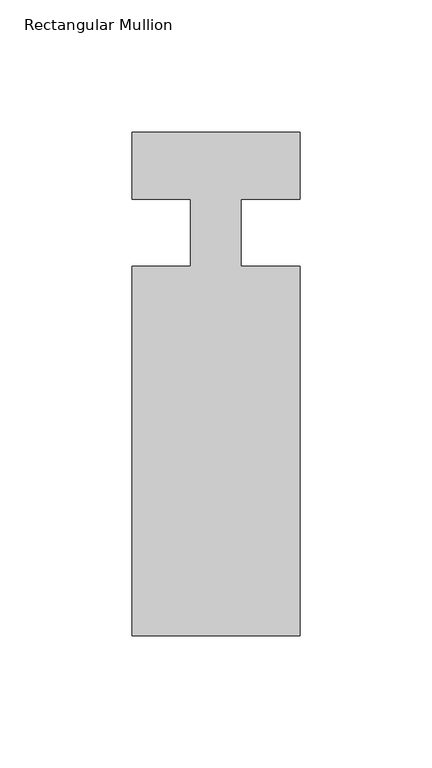
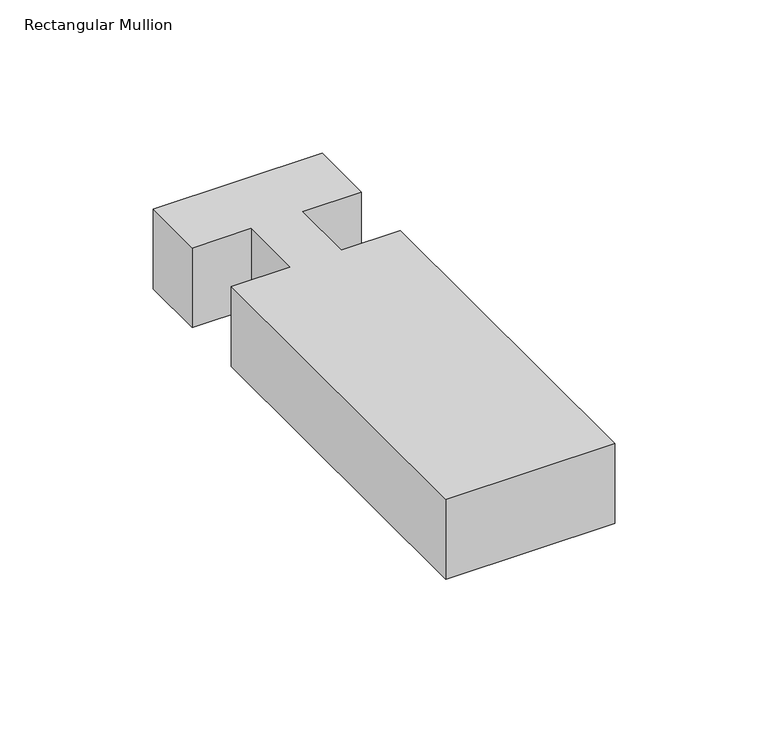
"""IFC4 building model written with IfcOpenShell, lengths in millimetres: member geometry, Rectangular Mullion."""

from ifc_helpers import new_model, si_unit, frame, origin, place, context, project, spatial, polyline, outline, extrude, source, transform, mapped, element, save


def rectangular_mullion_89c8d167(model_context):
    return source(origin(), model_context, "Body", "SweptSolid", [
        extrude(outline(polyline([(31.7499939, -152.3999975), (-31.7500061, -152.3999975), (-31.7500061, -12.7000025), (-9.5251193, -12.7000025), (-9.5251193, 12.7248022), (-31.7500061, 12.7248022), (-31.7500061, 38.0999975), (31.7499939, 38.0999975), (31.7499939, 12.7042851), (9.5251071, 12.7042851), (9.5251071, -12.7000025), (31.7499939, -12.7000025), (31.7499939, -152.3999975)])), frame((0.0, 0.0, -31.75), z_axis=(0.0, 0.0, 1.0), x_axis=(1.0, 0.0, 0.0)), (0.0, 0.0, 1.0), 31.75),
    ])


if __name__ == "__main__":
    model = new_model("IFC4")
    model_context = context("Model", 3, world=origin())
    ifc_project = project(units=[si_unit("LENGTHUNIT", "METRE", prefix="MILLI")], contexts=[model_context])
    site = spatial("IfcSite", under=ifc_project)
    building = spatial("IfcBuilding", under=site)
    placement = place(None, origin())
    rectangular_mullion_shape = rectangular_mullion_89c8d167(model_context)
    element("IfcMember", 1, ObjectType="Rectangular Mullion", at=placement, inside=building, context=model_context, shape_type="MappedRepresentation", body=[
        mapped(rectangular_mullion_shape, transform((0.0, 0.0, 0.0), x_axis=(1.0, 0.0, 0.0), y_axis=(0.0, 1.0, 0.0), z_axis=(0.0, 0.0, 1.0))),
    ])
    save(model, "model.ifc")
